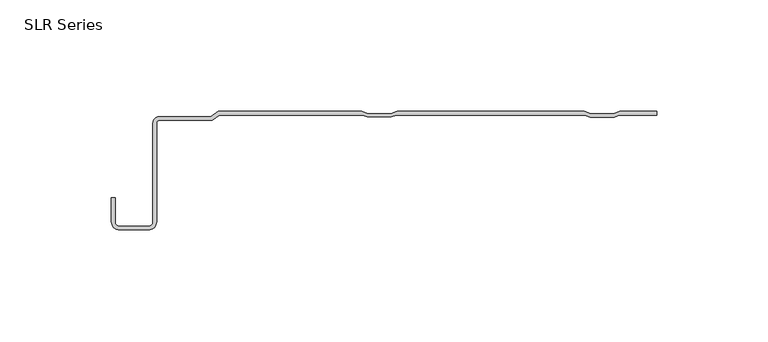
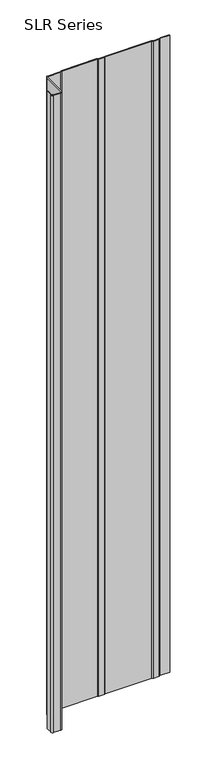
"""IFC4 building model written with IfcOpenShell, lengths in millimetres: plate geometry, SLR Series."""

from ifc_helpers import new_model, si_unit, point, frame_2d, origin, origin_with_axes, place, context, project, spatial, polyline, circle_curve, trimmed, segment, composite_curve, outline, extrude, source, transform, mapped, element, save


def slr_series_b49fa789(model_context):
    return source(origin(), model_context, "Body", "SweptSolid", [
        extrude(outline(composite_curve([segment(polyline([(-18.0334586, -1.6177749), (-82.31347, -1.6177749), (-85.5347033, -4.0336999), (-109.3085979, -4.0336999)]), True, "CONTINUOUS"), segment(trimmed(circle_curve(frame_2d((-109.3085979, -5.1897647)), 1.1560648), [point((-109.3085979, -4.0336999))], [point((-110.4646627, -5.1897647))], True, "CARTESIAN"), True, "CONTINUOUS"), segment(polyline([(-110.4646627, -5.1897647), (-110.4646627, -49.4817223)]), True, "CONTINUOUS"), segment(trimmed(circle_curve(frame_2d((-114.1404478, -49.4817223)), 3.6757851), [point((-110.4646627, -49.4817223))], [point((-114.1404478, -53.1575073))], False, "CARTESIAN"), True, "CONTINUOUS"), segment(polyline([(-114.1404478, -53.1575073), (-127.0253809, -53.1575073)]), True, "CONTINUOUS"), segment(trimmed(circle_curve(frame_2d((-127.0253809, -49.4817223)), 3.6757851), [point((-127.0253809, -53.1575073))], [point((-130.701166, -49.4817223))], False, "CARTESIAN"), True, "CONTINUOUS"), segment(polyline([(-130.701166, -49.4817223), (-130.701166, -38.6547993), (-129.0833911, -38.6547993), (-129.0833911, -49.4817223)]), True, "CONTINUOUS"), segment(trimmed(circle_curve(frame_2d((-127.0253809, -49.4817223)), 2.0580101), [point((-129.0833911, -49.4817223))], [point((-127.0253809, -51.5397324))], True, "CARTESIAN"), True, "CONTINUOUS"), segment(polyline([(-127.0253809, -51.5397324), (-114.1404478, -51.5397324)]), True, "CONTINUOUS"), segment(trimmed(circle_curve(frame_2d((-114.1404478, -49.4817223)), 2.0580101), [point((-114.1404478, -51.5397324))], [point((-112.0824377, -49.4817223))], True, "CARTESIAN"), True, "CONTINUOUS"), segment(polyline([(-112.0824377, -49.4817223), (-112.0824377, -5.1897647)]), True, "CONTINUOUS"), segment(trimmed(circle_curve(frame_2d((-109.3085979, -5.1897647)), 2.7738398), [point((-112.0824377, -5.1897647))], [point((-109.3085979, -2.415925))], False, "CARTESIAN"), True, "CONTINUOUS"), segment(polyline([(-109.3085979, -2.415925), (-86.0739616, -2.415925), (-82.8527283, 0.0), (-18.4673814, 0.0), (-15.6427323, -1.1298596), (-5.322143, -1.1298596), (-2.4974939, 0.0), (81.5107956, 0.0), (84.3354447, -1.1298596), (94.656034, -1.1298596), (97.4806831, 0.0), (113.9042607, 0.0), (113.9042607, -1.6177749), (97.2215038, -1.6177749), (94.8503118, -2.5662518), (84.1411669, -2.5662518), (81.7699748, -1.6177749), (-2.9314167, -1.6177749), (-5.1278652, -2.4963543), (-15.8370101, -2.4963543), (-18.0334586, -1.6177749)]), True, "CONTINUOUS")], self_intersect=False)), origin_with_axes(), (0.0, 0.0, 1.0), 1228.3559792),
    ])


if __name__ == "__main__":
    model = new_model("IFC4")
    model_context = context("Model", 3, world=origin())
    ifc_project = project(units=[si_unit("LENGTHUNIT", "METRE", prefix="MILLI")], contexts=[model_context])
    site = spatial("IfcSite", under=ifc_project)
    building = spatial("IfcBuilding", under=site)
    placement = place(None, origin())
    slr_series_shape = slr_series_b49fa789(model_context)
    element("IfcPlate", 1, ObjectType="SLR Series", at=placement, inside=building, context=model_context, shape_type="MappedRepresentation", body=[
        mapped(slr_series_shape, transform((0.0, 0.0, 0.0), x_axis=(1.0, 0.0, 0.0), y_axis=(0.0, 1.0, 0.0), z_axis=(0.0, 0.0, 1.0))),
    ])
    save(model, "model.ifc")
